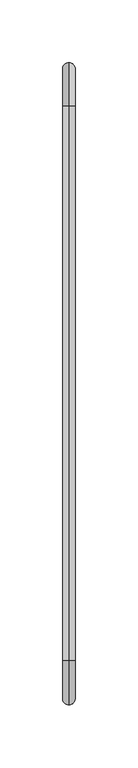
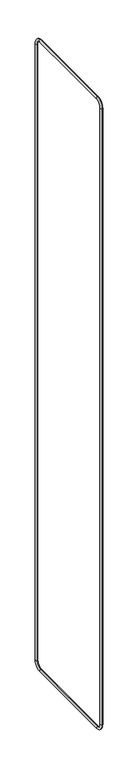
"""IFC4 building model written with IfcOpenShell, lengths in millimetres: beam geometry."""

from ifc_helpers import new_model, si_unit, point, frame, origin, place, context, project, spatial, circle_curve, ellipse_curve, trimmed, source, transform, mapped, element, save
from ifc_brep_helpers import cylinder_surface, revolved_surface, advanced_brep


def beam_596971c5(model_context):
    return source(origin(), model_context, "Body", "AdvancedBrep", [
        advanced_brep(
        [(0.0, 30.0, 2982.5), (0.0, 30.0, 2972.5), (0.0, 5.0, 2947.5), (0.0, -5.0, 2947.5), (0.0, 473.0, 2982.5), (0.0, 473.0, 2972.5), (0.0, 508.0, 2947.5), (0.0, 498.0, 2947.5), (0.0, 508.0, 37.5), (0.0, 498.0, 37.5), (0.0, 473.0, 2.5), (0.0, 473.0, 12.5), (0.0, 30.0, 2.5), (0.0, 30.0, 12.5), (0.0, -5.0, 37.5), (0.0, 5.0, 37.5)],
        [
            (0, 1, circle_curve(frame((0.0, 30.0, 2977.5), z_axis=(0.0, -1.0, 0.0), x_axis=(0.0, 0.0, -1.0)), 5.0)),
            (1, 2, circle_curve(frame((0.0, 30.0, 2947.5), z_axis=(1.0, 0.0, 0.0), x_axis=(0.0, -1.0, 0.0)), 25.0)),
            (2, 3, circle_curve(frame((0.0, 0.0, 2947.5), z_axis=(0.0, 0.0, 1.0), x_axis=(0.0, 1.0, 0.0)), 5.0)),
            (3, 0, circle_curve(frame((0.0, 30.0, 2947.5), z_axis=(-1.0, 0.0, 0.0), x_axis=(0.0, -1.0, 0.0)), 35.0)),
            (1, 0, circle_curve(frame((0.0, 30.0, 2977.5), z_axis=(0.0, -1.0, 0.0), x_axis=(0.0, 0.0, -1.0)), 5.0)),
            (3, 2, circle_curve(frame((0.0, 0.0, 2947.5), z_axis=(0.0, 0.0, 1.0), x_axis=(0.0, 1.0, 0.0)), 5.0)),
            (0, 4),
            (4, 5, circle_curve(frame((0.0, 473.0, 2977.5), z_axis=(0.0, -1.0, 0.0), x_axis=(0.0, 0.0, -1.0)), 5.0)),
            (5, 1),
            (5, 4, circle_curve(frame((0.0, 473.0, 2977.5), z_axis=(0.0, -1.0, 0.0), x_axis=(0.0, 0.0, -1.0)), 5.0)),
            (6, 7, circle_curve(frame((0.0, 503.0, 2947.5), z_axis=(0.0, 0.0, 1.0), x_axis=(0.0, -1.0, 0.0)), 5.0)),
            (7, 5, circle_curve(frame((0.0, 473.0, 2947.5), z_axis=(1.0, 0.0, 0.0), x_axis=(0.0, 0.0, 1.0)), 25.0)),
            (4, 6, circle_curve(frame((0.0, 473.0, 2947.5), z_axis=(-1.0, 0.0, 0.0), x_axis=(0.0, 0.0, 1.0)), 35.0)),
            (7, 6, circle_curve(frame((0.0, 503.0, 2947.5), z_axis=(0.0, 0.0, 1.0), x_axis=(0.0, -1.0, 0.0)), 5.0)),
            (6, 8),
            (8, 9, circle_curve(frame((0.0, 503.0, 37.5), z_axis=(0.0, 0.0, 1.0), x_axis=(0.0, -1.0, 0.0)), 5.0)),
            (9, 7),
            (9, 8, circle_curve(frame((0.0, 503.0, 37.5), z_axis=(0.0, 0.0, 1.0), x_axis=(0.0, -1.0, 0.0)), 5.0)),
            (10, 11, circle_curve(frame((0.0, 473.0, 7.5), z_axis=(0.0, 1.0, 0.0), x_axis=(0.0, 0.0, 1.0)), 5.0)),
            (11, 9, circle_curve(frame((0.0, 473.0, 37.5), z_axis=(1.0, 0.0, 0.0), x_axis=(0.0, 1.0, 0.0)), 25.0)),
            (8, 10, circle_curve(frame((0.0, 473.0, 37.5), z_axis=(-1.0, 0.0, 0.0), x_axis=(0.0, 1.0, 0.0)), 35.0)),
            (11, 10, circle_curve(frame((0.0, 473.0, 7.5), z_axis=(0.0, 1.0, 0.0), x_axis=(0.0, 0.0, 1.0)), 5.0)),
            (10, 12),
            (12, 13, circle_curve(frame((0.0, 30.0, 7.5), z_axis=(0.0, 1.0, 0.0), x_axis=(0.0, 0.0, 1.0)), 5.0)),
            (13, 11),
            (13, 12, circle_curve(frame((0.0, 30.0, 7.5), z_axis=(0.0, 1.0, 0.0), x_axis=(0.0, 0.0, 1.0)), 5.0)),
            (14, 15, circle_curve(frame((0.0, 0.0, 37.5), z_axis=(0.0, 0.0, -1.0), x_axis=(0.0, 1.0, 0.0)), 5.0)),
            (15, 13, circle_curve(frame((0.0, 30.0, 37.5), z_axis=(1.0, 0.0, 0.0), x_axis=(0.0, 0.0, -1.0)), 25.0)),
            (12, 14, circle_curve(frame((0.0, 30.0, 37.5), z_axis=(-1.0, 0.0, 0.0), x_axis=(0.0, 0.0, -1.0)), 35.0)),
            (15, 14, circle_curve(frame((0.0, 0.0, 37.5), z_axis=(0.0, 0.0, -1.0), x_axis=(0.0, 1.0, 0.0)), 5.0)),
            (14, 3),
            (2, 15),
        ],
        [
            revolved_surface(trimmed(ellipse_curve(frame((0.0, 0.0, 2947.5), z_axis=(0.0, 0.0, 1.0), x_axis=(0.0, 1.0, 0.0)), 5.0, 5.0), [point((0.0, 5.0, 2947.5))], [point((0.0, -5.0, 2947.5))], True, "CARTESIAN"), (0.0, 30.0, 2947.5), (1.0, 0.0, 0.0)),
            revolved_surface(trimmed(ellipse_curve(frame((0.0, 0.0, 2947.5), z_axis=(0.0, 0.0, 1.0), x_axis=(0.0, 1.0, 0.0)), 5.0, 5.0), [point((0.0, -5.0, 2947.5))], [point((0.0, 5.0, 2947.5))], True, "CARTESIAN"), (0.0, 30.0, 2947.5), (1.0, 0.0, 0.0)),
            cylinder_surface(frame((0.0, 30.0, 2977.5), z_axis=(0.0, -1.0, 0.0), x_axis=(0.0, 0.0, -1.0)), 5.0),
            revolved_surface(trimmed(ellipse_curve(frame((0.0, 473.0, 2977.5), z_axis=(0.0, 1.0, 0.0), x_axis=(0.0, 0.0, -1.0)), 5.0, 5.0), [point((0.0, 473.0, 2972.5))], [point((0.0, 473.0, 2982.5))], True, "CARTESIAN"), (0.0, 473.0, 2947.5), (1.0, 0.0, 0.0)),
            revolved_surface(trimmed(ellipse_curve(frame((0.0, 473.0, 2977.5), z_axis=(0.0, 1.0, 0.0), x_axis=(0.0, 0.0, -1.0)), 5.0, 5.0), [point((0.0, 473.0, 2982.5))], [point((0.0, 473.0, 2972.5))], True, "CARTESIAN"), (0.0, 473.0, 2947.5), (1.0, 0.0, 0.0)),
            cylinder_surface(frame((0.0, 503.0, 2947.5), z_axis=(0.0, 0.0, 1.0), x_axis=(0.0, -1.0, 0.0)), 5.0),
            revolved_surface(trimmed(ellipse_curve(frame((0.0, 503.0, 37.5), z_axis=(0.0, 0.0, -1.0), x_axis=(0.0, -1.0, 0.0)), 5.0, 5.0), [point((0.0, 498.0, 37.5))], [point((0.0, 508.0, 37.5))], True, "CARTESIAN"), (0.0, 473.0, 37.5), (1.0, 0.0, 0.0)),
            revolved_surface(trimmed(ellipse_curve(frame((0.0, 503.0, 37.5), z_axis=(0.0, 0.0, -1.0), x_axis=(0.0, -1.0, 0.0)), 5.0, 5.0), [point((0.0, 508.0, 37.5))], [point((0.0, 498.0, 37.5))], True, "CARTESIAN"), (0.0, 473.0, 37.5), (1.0, 0.0, 0.0)),
            cylinder_surface(frame((0.0, 473.0, 7.5), z_axis=(0.0, 1.0, 0.0), x_axis=(0.0, 0.0, 1.0)), 5.0),
            revolved_surface(trimmed(ellipse_curve(frame((0.0, 30.0, 7.5), z_axis=(0.0, -1.0, 0.0), x_axis=(0.0, 0.0, 1.0)), 5.0, 5.0), [point((0.0, 30.0, 12.5))], [point((0.0, 30.0, 2.5))], True, "CARTESIAN"), (0.0, 30.0, 37.5), (1.0, 0.0, 0.0)),
            revolved_surface(trimmed(ellipse_curve(frame((0.0, 30.0, 7.5), z_axis=(0.0, -1.0, 0.0), x_axis=(0.0, 0.0, 1.0)), 5.0, 5.0), [point((0.0, 30.0, 2.5))], [point((0.0, 30.0, 12.5))], True, "CARTESIAN"), (0.0, 30.0, 37.5), (1.0, 0.0, 0.0)),
            cylinder_surface(frame((0.0, 0.0, 37.5), z_axis=(0.0, 0.0, -1.0), x_axis=(0.0, 1.0, 0.0)), 5.0),
        ],
        [
            (0, [[1, 2, 3, 4]]),
            (1, [[5, -4, 6, -2]]),
            (2, [[7, 8, 9, -1]]),
            (2, [[-9, 10, -7, -5]]),
            (3, [[11, 12, -8, 13]]),
            (4, [[14, -13, -10, -12]]),
            (5, [[15, 16, 17, -11]]),
            (5, [[-17, 18, -15, -14]]),
            (6, [[19, 20, -16, 21]]),
            (7, [[22, -21, -18, -20]]),
            (8, [[23, 24, 25, -19]]),
            (8, [[-25, 26, -23, -22]]),
            (9, [[27, 28, -24, 29]]),
            (10, [[30, -29, -26, -28]]),
            (11, [[31, -3, 32, -27]]),
            (11, [[-32, -6, -31, -30]]),
        ],
    ),
    ])


if __name__ == "__main__":
    model = new_model("IFC4")
    model_context = context("Model", 3, world=origin())
    ifc_project = project(units=[si_unit("LENGTHUNIT", "METRE", prefix="MILLI")], contexts=[model_context])
    site = spatial("IfcSite", under=ifc_project)
    building = spatial("IfcBuilding", under=site)
    placement = place(None, origin())
    beam_shape = beam_596971c5(model_context)
    element("IfcBeam", 1, at=placement, inside=building, context=model_context, shape_type="MappedRepresentation", body=[
        mapped(beam_shape, transform((0.0, 0.0, 0.0), x_axis=(1.0, 0.0, 0.0), y_axis=(0.0, 1.0, 0.0), z_axis=(0.0, 0.0, 1.0))),
    ])
    save(model, "model.ifc")
